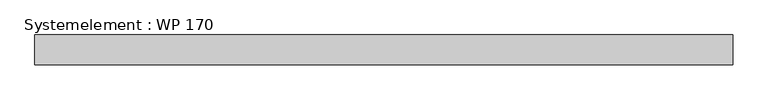
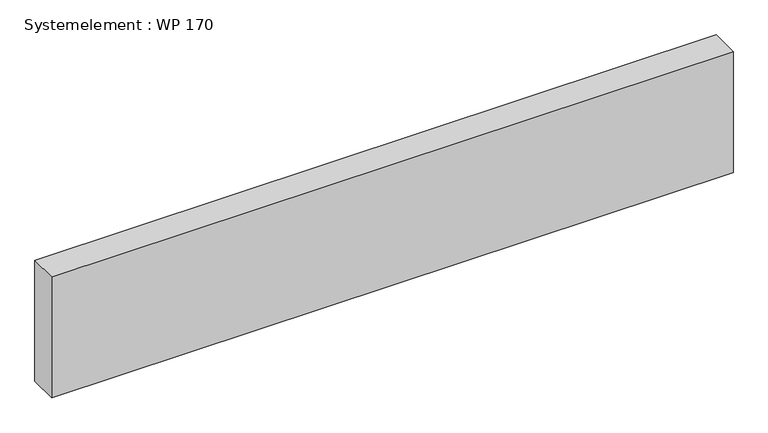
"""IFC4 building model written with IfcOpenShell, lengths in millimetres: plate geometry, Systemelement : WP 170."""

from ifc_helpers import new_model, si_unit, origin, origin_with_axes, place, context, project, spatial, polyline, outline, extrude, source, transform, mapped, element, save


def systemelement_wp_170_a53d0260(model_context):
    return source(origin(), model_context, "Body", "SweptSolid", [
        extrude(outline(polyline([(2000.0, -170.0), (-2000.0, -170.0), (-2000.0, 0.0), (2000.0, 0.0), (2000.0, -170.0)])), origin_with_axes(), (0.0, 0.0, 1.0), 751.6147161),
    ])


if __name__ == "__main__":
    model = new_model("IFC4")
    model_context = context("Model", 3, world=origin())
    ifc_project = project(units=[si_unit("LENGTHUNIT", "METRE", prefix="MILLI")], contexts=[model_context])
    site = spatial("IfcSite", under=ifc_project)
    building = spatial("IfcBuilding", under=site)
    placement = place(None, origin())
    systemelement_wp_170_shape = systemelement_wp_170_a53d0260(model_context)
    element("IfcPlate", 1, ObjectType="Systemelement : WP 170", at=placement, inside=building, context=model_context, shape_type="MappedRepresentation", body=[
        mapped(systemelement_wp_170_shape, transform((0.0, 0.0, 0.0), x_axis=(1.0, 0.0, 0.0), y_axis=(0.0, 1.0, 0.0), z_axis=(0.0, 0.0, 1.0))),
    ])
    save(model, "model.ifc")
